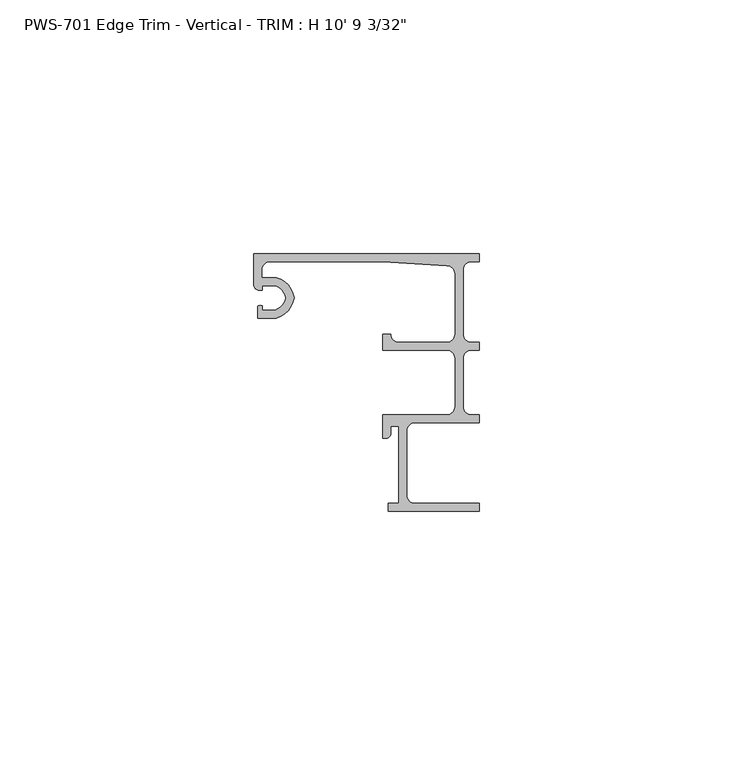
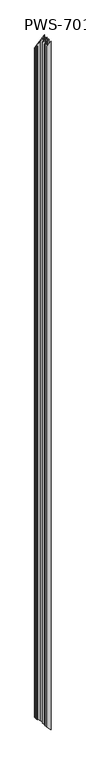
"""IFC4 building model written with IfcOpenShell, lengths in millimetres: proxy geometry."""

from ifc_helpers import new_model, si_unit, frame, origin, place, context, project, spatial, polyline, ellipse_curve, source, transform, mapped, element, save
from ifc_brep_helpers import plane_surface, cylinder_surface, revolved_surface, advanced_brep


def proxy_23a00b83(model_context):
    return source(origin(), model_context, "Body", "AdvancedBrep", [
        advanced_brep(
        [(26.9875, -15.875, 3261.51875), (28.575, -17.4625, 3263.10625), (28.575, -17.4625, 15.875), (26.9875, -15.875, 17.4625), (38.1, -17.4625, 3272.63125), (38.1, -17.4625, 6.35), (39.6875, -15.875, 3274.21875), (39.6875, -15.875, 4.7625), (39.6875, -3.97002, 3274.21875), (39.6875, -3.97002, 4.7625), (38.1, -2.38252, 3272.63125), (38.1, -2.38252, 6.35), (25.4, -1.5875, 3259.93125), (25.4, -1.5875, 19.05), (3.175, -1.5875, 3237.70625), (3.175, -1.5875, 41.275), (1.5875, -3.175, 3236.11875), (1.5875, -3.175, 42.8625), (1.5875, -4.699, 3236.11875), (1.5875, -4.699, 42.8625), (4.4357599, -4.699, 3238.9670099), (4.4357599, -4.699, 40.0142401), (7.9585261, -8.6995, 3242.4897761), (7.9585261, -8.6995, 36.4914739), (4.4357599, -12.7, 3238.9670099), (4.4357599, -12.7, 40.0142401), (0.762, -12.7, 3235.29325), (0.762, -12.7, 43.688), (0.762, -10.3627194, 3235.29325), (0.762, -10.3627194, 43.688), (1.6997088, -10.2659469, 3236.2309588), (1.6997088, -10.2659469, 42.7502912), (1.6997088, -11.1125, 3236.2309588), (1.6997088, -11.1125, 42.7502912), (4.207924, -11.1125, 3238.739174), (4.207924, -11.1125, 40.242076), (6.35, -8.6995, 3240.88125), (6.35, -8.6995, 38.1), (4.207924, -6.2865, 3238.739174), (4.207924, -6.2865, 40.242076), (1.6997088, -6.2865, 3236.2309588), (1.6997088, -6.2865, 42.7502912), (1.6997088, -7.1755, 3236.2309588), (1.6997088, -7.1755, 42.7502912), (0.9083659, -7.1755, 3235.4396159), (0.9083659, -7.1755, 43.5416341), (0.0, -6.0569064, 3234.53125), (0.0, -6.0569064, 44.45), (0.0, 0.0, 3234.53125), (0.0, 0.0, 44.45), (44.45, 0.0, 0.0), (44.45, 0.0, 3278.98125), (44.45, -1.5875, 3278.98125), (44.45, -1.5875, 0.0), (42.8625, -1.5875, 3277.39375), (42.8625, -1.5875, 1.5875), (41.275, -3.175, 3275.80625), (41.275, -3.175, 3.175), (41.275, -15.875, 3275.80625), (41.275, -15.875, 3.175), (42.8625, -17.4625, 3277.39375), (42.8625, -17.4625, 1.5875), (44.45, -17.4625, 0.0), (44.45, -17.4625, 3278.98125), (44.45, -19.05, 3278.98125), (44.45, -19.05, 0.0), (42.8625, -19.05, 3277.39375), (42.8625, -19.05, 1.5875), (41.275, -20.6375, 3275.80625), (41.275, -20.6375, 3.175), (41.275, -30.1625, 3275.80625), (41.275, -30.1625, 3.175), (42.8625, -31.75, 3277.39375), (42.8625, -31.75, 1.5875), (44.45, -31.75, 0.0), (44.45, -31.75, 3278.98125), (44.45, -33.3375, 3278.98125), (44.45, -33.3375, 0.0), (31.75, -33.3375, 3266.28125), (31.75, -33.3375, 12.7), (30.1625, -34.925, 3264.69375), (30.1625, -34.925, 14.2875), (30.1625, -47.625, 3264.69375), (30.1625, -47.625, 14.2875), (31.75, -49.2125, 3266.28125), (31.75, -49.2125, 12.7), (44.45, -49.2125, 0.0), (44.45, -49.2125, 3278.98125), (44.45, -50.8, 3278.98125), (44.45, -50.8, 0.0), (26.543, -50.8, 3261.07425), (26.543, -50.8, 17.907), (26.543, -49.2125, 3261.07425), (26.543, -49.2125, 17.907), (28.575, -49.2125, 3263.10625), (28.575, -49.2125, 15.875), (28.575, -33.9725, 3263.10625), (28.575, -33.9725, 15.875), (26.9875, -33.9725, 3261.51875), (26.9875, -33.9725, 17.4625), (26.9875, -35.55873, 3261.51875), (26.9875, -35.55873, 17.4625), (26.19248, -36.35375, 3260.72373), (26.19248, -36.35375, 18.25752), (25.4, -36.35375, 3259.93125), (25.4, -36.35375, 19.05), (25.4, -31.75, 3259.93125), (25.4, -31.75, 19.05), (38.1, -31.75, 3272.63125), (38.1, -31.75, 6.35), (39.6875, -30.1625, 3274.21875), (39.6875, -30.1625, 4.7625), (39.6875, -20.6375, 3274.21875), (39.6875, -20.6375, 4.7625), (38.1, -19.05, 3272.63125), (38.1, -19.05, 6.35), (25.4, -19.05, 3259.93125), (25.4, -19.05, 19.05), (25.4, -15.875, 3259.93125), (25.4, -15.875, 19.05)],
        [
            (0, 1, ellipse_curve(frame((28.575, -15.875, 3263.10625), z_axis=(-0.7071067811865449, 0.0, 0.7071067811865501), x_axis=(-0.7071067811865501, 0.0, -0.7071067811865449)), 2.245064, 1.5875)),
            (1, 2),
            (2, 3, ellipse_curve(frame((28.575, -15.875, 15.875), z_axis=(-0.7071067811865491, 0.0, -0.7071067811865459), x_axis=(0.7071067811865459, 0.0, -0.707106781186549)), 2.245064, 1.5875)),
            (3, 0),
            (1, 4),
            (4, 5),
            (5, 2),
            (4, 6, ellipse_curve(frame((38.1, -15.875, 3272.63125), z_axis=(-0.7071067811865449, 0.0, 0.7071067811865501), x_axis=(-0.7071067811865501, 0.0, -0.7071067811865449)), 2.245064, 1.5875)),
            (6, 7),
            (7, 5, ellipse_curve(frame((38.1, -15.875, 6.35), z_axis=(-0.7071067811865491, 0.0, -0.7071067811865459), x_axis=(0.7071067811865459, 0.0, -0.707106781186549)), 2.245064, 1.5875)),
            (6, 8),
            (8, 9),
            (9, 7),
            (8, 10, ellipse_curve(frame((38.1, -3.97002, 3272.63125), z_axis=(-0.7071067811865449, 0.0, 0.7071067811865501), x_axis=(-0.7071067811865501, 0.0, -0.7071067811865449)), 2.245064, 1.5875)),
            (10, 11),
            (11, 9, ellipse_curve(frame((38.1, -3.97002, 6.35), z_axis=(-0.7071067811865491, 0.0, -0.7071067811865459), x_axis=(0.7071067811865459, 0.0, -0.707106781186549)), 2.245064, 1.5875)),
            (10, 12),
            (12, 13),
            (13, 11),
            (12, 14),
            (14, 15),
            (15, 13),
            (14, 16, ellipse_curve(frame((3.175, -3.175, 3237.70625), z_axis=(-0.7071067811865449, 0.0, 0.7071067811865501), x_axis=(-0.7071067811865501, 0.0, -0.7071067811865449)), 2.245064, 1.5875)),
            (16, 17),
            (17, 15, ellipse_curve(frame((3.175, -3.175, 41.275), z_axis=(-0.7071067811865491, 0.0, -0.7071067811865459), x_axis=(0.7071067811865459, 0.0, -0.707106781186549)), 2.245064, 1.5875)),
            (16, 18),
            (18, 19),
            (19, 17),
            (18, 20),
            (20, 21),
            (21, 19),
            (20, 22, ellipse_curve(frame((3.2089841, -9.3305673, 3237.7402341), z_axis=(0.7071067811865449, 0.0, -0.7071067811865501), x_axis=(0.7071067811865501, 0.0, 0.7071067811865449)), 6.7758977, 4.7912832)),
            (22, 23),
            (23, 21, ellipse_curve(frame((3.2089841, -9.3305673, 41.2410159), z_axis=(0.7071067811865491, 0.0, 0.7071067811865459), x_axis=(-0.7071067811865459, 0.0, 0.707106781186549)), 6.7758977, 4.7912832)),
            (22, 24, ellipse_curve(frame((3.2089841, -8.0684327, 3237.7402341), z_axis=(0.7071067811865449, 0.0, -0.7071067811865501), x_axis=(0.7071067811865501, 0.0, 0.7071067811865449)), 6.7758977, 4.7912832)),
            (24, 25),
            (25, 23, ellipse_curve(frame((3.2089841, -8.0684327, 41.2410159), z_axis=(0.7071067811865491, 0.0, 0.7071067811865459), x_axis=(-0.7071067811865459, 0.0, 0.707106781186549)), 6.7758977, 4.7912832)),
            (24, 26),
            (26, 27),
            (27, 25),
            (26, 28),
            (28, 29),
            (29, 27),
            (28, 30, ellipse_curve(frame((1.3351034, -11.3244879, 3235.8663534), z_axis=(0.7071067811865449, 0.0, -0.7071067811865501), x_axis=(0.7071067811865501, 0.0, 0.7071067811865449)), 1.583317, 1.1195742)),
            (30, 31),
            (31, 29, ellipse_curve(frame((1.3351034, -11.3244879, 43.1148966), z_axis=(0.7071067811865491, 0.0, 0.7071067811865459), x_axis=(-0.7071067811865459, 0.0, 0.707106781186549)), 1.583317, 1.1195742)),
            (30, 32),
            (32, 33),
            (33, 31),
            (32, 34),
            (34, 35),
            (35, 33),
            (34, 36, ellipse_curve(frame((3.2089841, -8.0684327, 3237.7402341), z_axis=(-0.7071067811865449, 0.0, 0.7071067811865501), x_axis=(-0.7071067811865501, 0.0, -0.7071067811865449)), 4.5308337, 3.2037832)),
            (36, 37),
            (37, 35, ellipse_curve(frame((3.2089841, -8.0684327, 41.2410159), z_axis=(-0.7071067811865491, 0.0, -0.7071067811865459), x_axis=(0.7071067811865459, 0.0, -0.707106781186549)), 4.5308337, 3.2037832)),
            (36, 38, ellipse_curve(frame((3.2089841, -9.3305673, 3237.7402341), z_axis=(-0.7071067811865449, 0.0, 0.7071067811865501), x_axis=(-0.7071067811865501, 0.0, -0.7071067811865449)), 4.5308337, 3.2037832)),
            (38, 39),
            (39, 37, ellipse_curve(frame((3.2089841, -9.3305673, 41.2410159), z_axis=(-0.7071067811865491, 0.0, -0.7071067811865459), x_axis=(0.7071067811865459, 0.0, -0.707106781186549)), 4.5308337, 3.2037832)),
            (38, 40),
            (40, 41),
            (41, 39),
            (40, 42),
            (42, 43),
            (43, 41),
            (42, 44),
            (44, 45),
            (45, 43),
            (44, 46, ellipse_curve(frame((1.1429206, -6.0569064, 3235.6741706), z_axis=(0.7071067811865449, 0.0, -0.7071067811865501), x_axis=(0.7071067811865501, 0.0, 0.7071067811865449)), 1.6163338, 1.1429206)),
            (46, 47),
            (47, 45, ellipse_curve(frame((1.1429206, -6.0569064, 43.3070794), z_axis=(0.7071067811865491, 0.0, 0.7071067811865459), x_axis=(-0.7071067811865459, 0.0, 0.707106781186549)), 1.6163338, 1.1429206)),
            (46, 48),
            (48, 49),
            (49, 47),
            (50, 49),
            (48, 51),
            (51, 50),
            (51, 52),
            (52, 53),
            (53, 50),
            (52, 54),
            (54, 55),
            (55, 53),
            (54, 56, ellipse_curve(frame((42.8625, -3.175, 3277.39375), z_axis=(-0.7071067811865449, 0.0, 0.7071067811865501), x_axis=(-0.7071067811865501, 0.0, -0.7071067811865449)), 2.245064, 1.5875)),
            (56, 57),
            (57, 55, ellipse_curve(frame((42.8625, -3.175, 1.5875), z_axis=(-0.7071067811865491, 0.0, -0.7071067811865459), x_axis=(0.7071067811865459, 0.0, -0.707106781186549)), 2.245064, 1.5875)),
            (56, 58),
            (58, 59),
            (59, 57),
            (58, 60, ellipse_curve(frame((42.8625, -15.875, 3277.39375), z_axis=(-0.7071067811865449, 0.0, 0.7071067811865501), x_axis=(-0.7071067811865501, 0.0, -0.7071067811865449)), 2.245064, 1.5875)),
            (60, 61),
            (61, 59, ellipse_curve(frame((42.8625, -15.875, 1.5875), z_axis=(-0.7071067811865491, 0.0, -0.7071067811865459), x_axis=(0.7071067811865459, 0.0, -0.707106781186549)), 2.245064, 1.5875)),
            (62, 61),
            (60, 63),
            (63, 62),
            (63, 64),
            (64, 65),
            (65, 62),
            (64, 66),
            (66, 67),
            (67, 65),
            (66, 68, ellipse_curve(frame((42.8625, -20.6375, 3277.39375), z_axis=(-0.7071067811865449, 0.0, 0.7071067811865501), x_axis=(-0.7071067811865501, 0.0, -0.7071067811865449)), 2.245064, 1.5875)),
            (68, 69),
            (69, 67, ellipse_curve(frame((42.8625, -20.6375, 1.5875), z_axis=(-0.7071067811865491, 0.0, -0.7071067811865459), x_axis=(0.7071067811865459, 0.0, -0.707106781186549)), 2.245064, 1.5875)),
            (68, 70),
            (70, 71),
            (71, 69),
            (70, 72, ellipse_curve(frame((42.8625, -30.1625, 3277.39375), z_axis=(-0.7071067811865449, 0.0, 0.7071067811865501), x_axis=(-0.7071067811865501, 0.0, -0.7071067811865449)), 2.245064, 1.5875)),
            (72, 73),
            (73, 71, ellipse_curve(frame((42.8625, -30.1625, 1.5875), z_axis=(-0.7071067811865491, 0.0, -0.7071067811865459), x_axis=(0.7071067811865459, 0.0, -0.707106781186549)), 2.245064, 1.5875)),
            (74, 73),
            (72, 75),
            (75, 74),
            (75, 76),
            (76, 77),
            (77, 74),
            (76, 78),
            (78, 79),
            (79, 77),
            (78, 80, ellipse_curve(frame((31.75, -34.925, 3266.28125), z_axis=(-0.7071067811865449, 0.0, 0.7071067811865501), x_axis=(-0.7071067811865501, 0.0, -0.7071067811865449)), 2.245064, 1.5875)),
            (80, 81),
            (81, 79, ellipse_curve(frame((31.75, -34.925, 12.7), z_axis=(-0.7071067811865491, 0.0, -0.7071067811865459), x_axis=(0.7071067811865459, 0.0, -0.707106781186549)), 2.245064, 1.5875)),
            (80, 82),
            (82, 83),
            (83, 81),
            (82, 84, ellipse_curve(frame((31.75, -47.625, 3266.28125), z_axis=(-0.7071067811865449, 0.0, 0.7071067811865501), x_axis=(-0.7071067811865501, 0.0, -0.7071067811865449)), 2.245064, 1.5875)),
            (84, 85),
            (85, 83, ellipse_curve(frame((31.75, -47.625, 12.7), z_axis=(-0.7071067811865491, 0.0, -0.7071067811865459), x_axis=(0.7071067811865459, 0.0, -0.707106781186549)), 2.245064, 1.5875)),
            (86, 85),
            (84, 87),
            (87, 86),
            (87, 88),
            (88, 89),
            (89, 86),
            (88, 90),
            (90, 91),
            (91, 89),
            (90, 92),
            (92, 93),
            (93, 91),
            (92, 94),
            (94, 95),
            (95, 93),
            (94, 96),
            (96, 97),
            (97, 95),
            (96, 98),
            (98, 99),
            (99, 97),
            (98, 100),
            (100, 101),
            (101, 99),
            (100, 102, ellipse_curve(frame((26.19248, -35.55873, 3260.72373), z_axis=(0.7071067811865449, 0.0, -0.7071067811865501), x_axis=(0.7071067811865501, 0.0, 0.7071067811865449)), 1.1243281, 0.79502)),
            (102, 103),
            (103, 101, ellipse_curve(frame((26.19248, -35.55873, 18.25752), z_axis=(0.7071067811865491, 0.0, 0.7071067811865459), x_axis=(-0.7071067811865459, 0.0, 0.707106781186549)), 1.1243281, 0.79502)),
            (102, 104),
            (104, 105),
            (105, 103),
            (104, 106),
            (106, 107),
            (107, 105),
            (106, 108),
            (108, 109),
            (109, 107),
            (108, 110, ellipse_curve(frame((38.1, -30.1625, 3272.63125), z_axis=(-0.7071067811865449, 0.0, 0.7071067811865501), x_axis=(-0.7071067811865501, 0.0, -0.7071067811865449)), 2.245064, 1.5875)),
            (110, 111),
            (111, 109, ellipse_curve(frame((38.1, -30.1625, 6.35), z_axis=(-0.7071067811865491, 0.0, -0.7071067811865459), x_axis=(0.7071067811865459, 0.0, -0.707106781186549)), 2.245064, 1.5875)),
            (110, 112),
            (112, 113),
            (113, 111),
            (112, 114, ellipse_curve(frame((38.1, -20.6375, 3272.63125), z_axis=(-0.7071067811865449, 0.0, 0.7071067811865501), x_axis=(-0.7071067811865501, 0.0, -0.7071067811865449)), 2.245064, 1.5875)),
            (114, 115),
            (115, 113, ellipse_curve(frame((38.1, -20.6375, 6.35), z_axis=(-0.7071067811865491, 0.0, -0.7071067811865459), x_axis=(0.7071067811865459, 0.0, -0.707106781186549)), 2.245064, 1.5875)),
            (114, 116),
            (116, 117),
            (117, 115),
            (116, 118),
            (118, 119),
            (119, 117),
            (3, 119),
            (118, 0),
        ],
        [
            revolved_surface(polyline([(30.162499999999998, -15.875, 14.287500021402202), (30.162499999999998, -15.875, 3264.6937499785977)]), (28.575, -15.875, 0.0), (0.0, 0.0, -1.0)),
            plane_surface(frame((28.575, -17.4625, 3278.98125), z_axis=(0.0, 1.0, 0.0), x_axis=(0.0, 0.0, -1.0))),
            revolved_surface(polyline([(39.6875, -15.875, 4.7625), (39.6875, -15.875, 3274.21875)]), (38.1, -15.875, 0.0), (0.0, 0.0, -1.0)),
            plane_surface(frame((39.6875, -15.875, 3278.98125), z_axis=(-1.0, 0.0, 0.0), x_axis=(0.0, 0.0, -1.0))),
            revolved_surface(polyline([(39.6875, -3.97002, 4.7625), (39.6875, -3.97002, 3274.21875)]), (38.1, -3.97002, 0.0), (0.0, 0.0, -1.0)),
            plane_surface(frame((38.1, -2.38252, 3278.98125), z_axis=(-0.062477702137024124, -0.9980463600132398, 0.0), x_axis=(0.0, 0.0, -1.0))),
            plane_surface(frame((25.4, -1.5875, 3278.98125), z_axis=(0.0, -1.0, 0.0), x_axis=(0.0, 0.0, -1.0))),
            revolved_surface(polyline([(4.762499999999999, -3.175, 39.6875000214022), (4.762499999999999, -3.175, 3239.293749978598)]), (3.175, -3.175, 0.0), (0.0, 0.0, -1.0)),
            plane_surface(frame((1.5875, -3.175, 3278.98125), z_axis=(1.0, 0.0, 0.0), x_axis=(0.0, 0.0, -1.0))),
            plane_surface(frame((1.5875, -4.699, 3278.98125), z_axis=(0.0, 1.0, 0.0), x_axis=(0.0, 0.0, -1.0))),
            cylinder_surface(frame((3.2089841, -9.3305673, 0.0), z_axis=(0.0, 0.0, 1.0), x_axis=(1.0, 0.0, 0.0)), 4.7912832),
            cylinder_surface(frame((3.2089841, -8.0684327, 0.0), z_axis=(0.0, 0.0, 1.0), x_axis=(1.0, 0.0, 0.0)), 4.7912832),
            plane_surface(frame((4.4357599, -12.7, 3278.98125), z_axis=(0.0, -1.0, 0.0), x_axis=(0.0, 0.0, -1.0))),
            plane_surface(frame((0.762, -12.7, 3278.98125), z_axis=(-1.0, 0.0, 0.0), x_axis=(0.0, 0.0, -1.0))),
            cylinder_surface(frame((1.3351034, -11.3244879, 0.0), z_axis=(0.0, 0.0, 1.0), x_axis=(1.0, 0.0, 0.0)), 1.1195742),
            plane_surface(frame((1.6997088, -10.2659469, 3278.98125), z_axis=(1.0, 0.0, 0.0), x_axis=(0.0, 0.0, -1.0))),
            plane_surface(frame((1.6997088, -11.1125, 3278.98125), z_axis=(4.504476212404173e-12, 1.0, 0.0), x_axis=(0.0, 0.0, -1.0))),
            revolved_surface(polyline([(6.4127673000000005, -8.0684327, 38.037232666301456), (6.4127673000000005, -8.0684327, 3240.944017333699)]), (3.2089841, -8.0684327, 0.0), (0.0, 0.0, -1.0)),
            revolved_surface(polyline([(6.4127673000000005, -9.3305673, 38.037232666301456), (6.4127673000000005, -9.3305673, 3240.944017333699)]), (3.2089841, -9.3305673, 0.0), (0.0, 0.0, -1.0)),
            plane_surface(frame((4.207924, -6.2865, 3278.98125), z_axis=(0.0, -1.0, 0.0), x_axis=(0.0, 0.0, -1.0))),
            plane_surface(frame((1.6997088, -6.2865, 3278.98125), z_axis=(1.0, 0.0, 0.0), x_axis=(0.0, 0.0, -1.0))),
            plane_surface(frame((1.6997088, -7.1755, 3278.98125), z_axis=(0.0, -1.0, 0.0), x_axis=(0.0, 0.0, -1.0))),
            cylinder_surface(frame((1.1429206, -6.0569064, 0.0), z_axis=(0.0, 0.0, 1.0), x_axis=(1.0, 0.0, 0.0)), 1.1429206),
            plane_surface(frame((0.0, -6.0569064, 3278.98125), z_axis=(-1.0, 0.0, 0.0), x_axis=(0.0, 0.0, -1.0))),
            plane_surface(frame((0.0, 0.0, 3278.98125), z_axis=(0.0, 1.0, 0.0), x_axis=(0.0, 0.0, -1.0))),
            plane_surface(frame((44.45, 0.0, 3278.98125), z_axis=(1.0, 0.0, 0.0), x_axis=(0.0, 0.0, -1.0))),
            plane_surface(frame((44.45, -1.5875, 3278.98125), z_axis=(0.0, -1.0, 0.0), x_axis=(0.0, 0.0, -1.0))),
            revolved_surface(polyline([(44.449999999999996, -3.175, 2.1402201344500327e-08), (44.449999999999996, -3.175, 3278.981249978598)]), (42.8625, -3.175, 0.0), (0.0, 0.0, -1.0)),
            plane_surface(frame((41.275, -3.175, 3278.98125), z_axis=(1.0, 0.0, 0.0), x_axis=(0.0, 0.0, -1.0))),
            revolved_surface(polyline([(44.449999999999996, -15.875, 2.1402201344500327e-08), (44.449999999999996, -15.875, 3278.981249978598)]), (42.8625, -15.875, 0.0), (0.0, 0.0, -1.0)),
            plane_surface(frame((42.8625, -17.4625, 3278.98125), z_axis=(0.0, 1.0, 0.0), x_axis=(0.0, 0.0, -1.0))),
            plane_surface(frame((44.45, -17.4625, 3278.98125), z_axis=(1.0, 0.0, 0.0), x_axis=(0.0, 0.0, -1.0))),
            plane_surface(frame((44.45, -19.05, 3278.98125), z_axis=(0.0, -1.0, 0.0), x_axis=(0.0, 0.0, -1.0))),
            revolved_surface(polyline([(44.449999999999996, -20.6375, 2.1402201344500327e-08), (44.449999999999996, -20.6375, 3278.981249978598)]), (42.8625, -20.6375, 0.0), (0.0, 0.0, -1.0)),
            plane_surface(frame((41.275, -20.6375, 3278.98125), z_axis=(1.0, 0.0, 0.0), x_axis=(0.0, 0.0, -1.0))),
            revolved_surface(polyline([(44.449999999999996, -30.1625, 2.1402201344500327e-08), (44.449999999999996, -30.1625, 3278.981249978598)]), (42.8625, -30.1625, 0.0), (0.0, 0.0, -1.0)),
            plane_surface(frame((42.8625, -31.75, 3278.98125), z_axis=(0.0, 1.0, 0.0), x_axis=(0.0, 0.0, -1.0))),
            plane_surface(frame((44.45, -31.75, 3278.98125), z_axis=(1.0, 0.0, 0.0), x_axis=(0.0, 0.0, -1.0))),
            plane_surface(frame((44.45, -33.3375, 3278.98125), z_axis=(0.0, -1.0, 0.0), x_axis=(0.0, 0.0, -1.0))),
            revolved_surface(polyline([(33.3375, -34.925, 11.112500021402202), (33.3375, -34.925, 3267.868749978598)]), (31.75, -34.925, 0.0), (0.0, 0.0, -1.0)),
            plane_surface(frame((30.1625, -34.925, 3278.98125), z_axis=(1.0, 0.0, 0.0), x_axis=(0.0, 0.0, -1.0))),
            revolved_surface(polyline([(33.3375, -47.625, 11.112500021402202), (33.3375, -47.625, 3267.868749978598)]), (31.75, -47.625, 0.0), (0.0, 0.0, -1.0)),
            plane_surface(frame((31.75, -49.2125, 3278.98125), z_axis=(0.0, 1.0, 0.0), x_axis=(0.0, 0.0, -1.0))),
            plane_surface(frame((44.45, -49.2125, 3278.98125), z_axis=(1.0, 0.0, 0.0), x_axis=(0.0, 0.0, -1.0))),
            plane_surface(frame((44.45, -50.8, 3278.98125), z_axis=(0.0, -1.0, 0.0), x_axis=(0.0, 0.0, -1.0))),
            plane_surface(frame((26.543, -50.8, 3278.98125), z_axis=(-1.0, 0.0, 0.0), x_axis=(0.0, 0.0, -1.0))),
            plane_surface(frame((26.543, -49.2125, 3278.98125), z_axis=(0.0, 1.0, 0.0), x_axis=(0.0, 0.0, -1.0))),
            plane_surface(frame((28.575, -49.2125, 3278.98125), z_axis=(-1.0, 0.0, 0.0), x_axis=(0.0, 0.0, -1.0))),
            plane_surface(frame((28.575, -33.9725, 3278.98125), z_axis=(0.0, -1.0, 0.0), x_axis=(0.0, 0.0, -1.0))),
            plane_surface(frame((26.9875, -33.9725, 3278.98125), z_axis=(1.0, 0.0, 0.0), x_axis=(0.0, 0.0, -1.0))),
            cylinder_surface(frame((26.19248, -35.55873, 0.0), z_axis=(0.0, 0.0, 1.0), x_axis=(1.0, 0.0, 0.0)), 0.79502),
            plane_surface(frame((26.19248, -36.35375, 3278.98125), z_axis=(0.0, -1.0, 0.0), x_axis=(0.0, 0.0, -1.0))),
            plane_surface(frame((25.4, -36.35375, 3278.98125), z_axis=(-1.0, 0.0, 0.0), x_axis=(0.0, 0.0, -1.0))),
            plane_surface(frame((25.4, -31.75, 3278.98125), z_axis=(0.0, 1.0, 0.0), x_axis=(0.0, 0.0, -1.0))),
            revolved_surface(polyline([(39.6875, -30.1625, 4.7625), (39.6875, -30.1625, 3274.21875)]), (38.1, -30.1625, 0.0), (0.0, 0.0, -1.0)),
            plane_surface(frame((39.6875, -30.1625, 3278.98125), z_axis=(-1.0, 0.0, 0.0), x_axis=(0.0, 0.0, -1.0))),
            revolved_surface(polyline([(39.6875, -20.6375, 4.7625), (39.6875, -20.6375, 3274.21875)]), (38.1, -20.6375, 0.0), (0.0, 0.0, -1.0)),
            plane_surface(frame((38.1, -19.05, 3278.98125), z_axis=(0.0, -1.0, 0.0), x_axis=(0.0, 0.0, -1.0))),
            plane_surface(frame((25.4, -19.05, 3278.98125), z_axis=(-1.0, 0.0, 0.0), x_axis=(0.0, 0.0, -1.0))),
            plane_surface(frame((25.4, -15.875, 3278.98125), z_axis=(0.0, 1.0, 0.0), x_axis=(0.0, 0.0, -1.0))),
            plane_surface(frame((44.45, 0.0, 0.0), z_axis=(-0.7071067811865491, 0.0, -0.7071067811865459), x_axis=(0.0, -1.0, 0.0))),
            plane_surface(frame((0.0, 0.0, 3234.53125), z_axis=(-0.7071067811865449, 0.0, 0.7071067811865501), x_axis=(0.0, -1.0, 0.0))),
        ],
        [
            (0, [[1, 2, 3, 4]]),
            (1, [[5, 6, 7, -2]]),
            (2, [[8, 9, 10, -6]]),
            (3, [[11, 12, 13, -9]]),
            (4, [[14, 15, 16, -12]]),
            (5, [[17, 18, 19, -15]]),
            (6, [[20, 21, 22, -18]]),
            (7, [[23, 24, 25, -21]]),
            (8, [[26, 27, 28, -24]]),
            (9, [[29, 30, 31, -27]]),
            (10, [[32, 33, 34, -30]]),
            (11, [[35, 36, 37, -33]]),
            (12, [[38, 39, 40, -36]]),
            (13, [[41, 42, 43, -39]]),
            (14, [[44, 45, 46, -42]]),
            (15, [[47, 48, 49, -45]]),
            (16, [[50, 51, 52, -48]]),
            (17, [[53, 54, 55, -51]]),
            (18, [[56, 57, 58, -54]]),
            (19, [[59, 60, 61, -57]]),
            (20, [[62, 63, 64, -60]]),
            (21, [[65, 66, 67, -63]]),
            (22, [[68, 69, 70, -66]]),
            (23, [[71, 72, 73, -69]]),
            (24, [[74, -72, 75, 76]]),
            (25, [[77, 78, 79, -76]]),
            (26, [[80, 81, 82, -78]]),
            (27, [[83, 84, 85, -81]]),
            (28, [[86, 87, 88, -84]]),
            (29, [[89, 90, 91, -87]]),
            (30, [[92, -90, 93, 94]]),
            (31, [[95, 96, 97, -94]]),
            (32, [[98, 99, 100, -96]]),
            (33, [[101, 102, 103, -99]]),
            (34, [[104, 105, 106, -102]]),
            (35, [[107, 108, 109, -105]]),
            (36, [[110, -108, 111, 112]]),
            (37, [[113, 114, 115, -112]]),
            (38, [[116, 117, 118, -114]]),
            (39, [[119, 120, 121, -117]]),
            (40, [[122, 123, 124, -120]]),
            (41, [[125, 126, 127, -123]]),
            (42, [[128, -126, 129, 130]]),
            (43, [[131, 132, 133, -130]]),
            (44, [[134, 135, 136, -132]]),
            (45, [[137, 138, 139, -135]]),
            (46, [[140, 141, 142, -138]]),
            (47, [[143, 144, 145, -141]]),
            (48, [[146, 147, 148, -144]]),
            (49, [[149, 150, 151, -147]]),
            (50, [[152, 153, 154, -150]]),
            (51, [[155, 156, 157, -153]]),
            (52, [[158, 159, 160, -156]]),
            (53, [[161, 162, 163, -159]]),
            (54, [[164, 165, 166, -162]]),
            (55, [[167, 168, 169, -165]]),
            (56, [[170, 171, 172, -168]]),
            (57, [[173, 174, 175, -171]]),
            (58, [[176, 177, 178, -174]]),
            (59, [[179, -177, 180, -4]]),
            (60, [[-7, -10, -13, -16, -19, -22, -25, -28, -31, -34, -37, -40, -43, -46, -49, -52, -55, -58, -61, -64, -67, -70, -73, -74, -79, -82, -85, -88, -91, -92, -97, -100, -103, -106, -109, -110, -115, -118, -121, -124, -127, -128, -133, -136, -139, -142, -145, -148, -151, -154, -157, -160, -163, -166, -169, -172, -175, -178, -179, -3]]),
            (61, [[-180, -176, -173, -170, -167, -164, -161, -158, -155, -152, -149, -146, -143, -140, -137, -134, -131, -129, -125, -122, -119, -116, -113, -111, -107, -104, -101, -98, -95, -93, -89, -86, -83, -80, -77, -75, -71, -68, -65, -62, -59, -56, -53, -50, -47, -44, -41, -38, -35, -32, -29, -26, -23, -20, -17, -14, -11, -8, -5, -1]]),
        ],
    ),
    ])


if __name__ == "__main__":
    model = new_model("IFC4")
    model_context = context("Model", 3, world=origin())
    ifc_project = project(units=[si_unit("LENGTHUNIT", "METRE", prefix="MILLI")], contexts=[model_context])
    site = spatial("IfcSite", under=ifc_project)
    building = spatial("IfcBuilding", under=site)
    placement = place(None, origin())
    proxy_shape = proxy_23a00b83(model_context)
    element("IfcBuildingElementProxy", 1, Name="PWS-701 Edge Trim - Vertical - TRIM : H 10' 9 3/32\"", ObjectType="PWS-701 Edge Trim - Vertical - TRIM : H 10' 9 3/32\"", at=placement, inside=building, context=model_context, shape_type="MappedRepresentation", body=[
        mapped(proxy_shape, transform((0.0, 0.0, 0.0), x_axis=(1.0, 0.0, 0.0), y_axis=(0.0, 1.0, 0.0), z_axis=(0.0, 0.0, 1.0))),
    ])
    save(model, "model.ifc")
